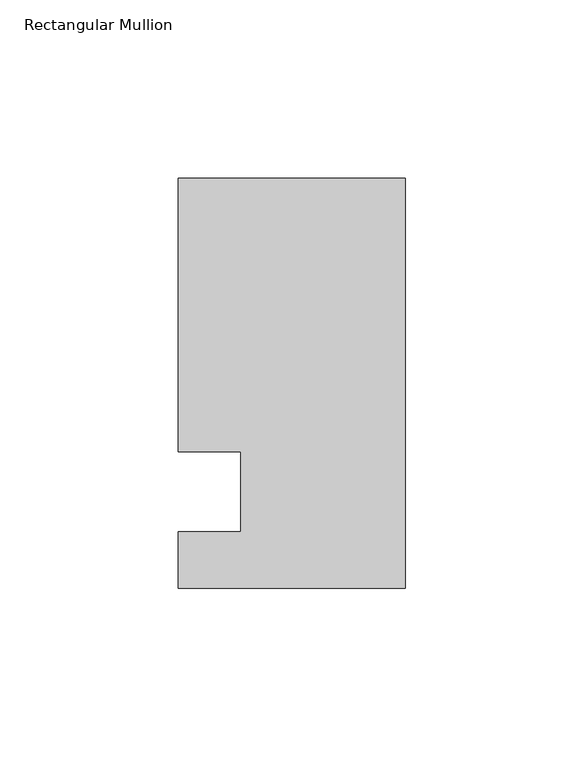
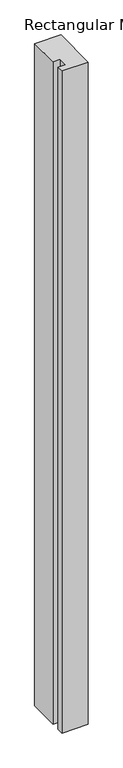
"""IFC4 building model written with IfcOpenShell, lengths in millimetres: member geometry, Rectangular Mullion."""

from ifc_helpers import new_model, si_unit, frame, origin, place, context, project, spatial, polyline, outline, extrude, source, transform, mapped, element, save


def rectangular_mullion_bb039e59(model_context):
    return source(origin(), model_context, "Body", "SweptSolid", [
        extrude(outline(polyline([(-63.5, 114.5309813), (0.0, 114.5309813), (0.0, -0.3532188), (-63.5, -0.3532188), (-63.5, 15.5217812), (-46.0375, 15.5217812), (-46.0375, 38.0007812), (-63.5, 38.0007812), (-63.5, 114.5309813)])), frame((0.0, 0.0, -1696.9382812), z_axis=(0.0, 0.0, 1.0), x_axis=(1.0, 0.0, 0.0)), (0.0, 0.0, 1.0), 1696.9382813),
    ])


if __name__ == "__main__":
    model = new_model("IFC4")
    model_context = context("Model", 3, world=origin())
    ifc_project = project(units=[si_unit("LENGTHUNIT", "METRE", prefix="MILLI")], contexts=[model_context])
    site = spatial("IfcSite", under=ifc_project)
    building = spatial("IfcBuilding", under=site)
    placement = place(None, origin())
    rectangular_mullion_shape = rectangular_mullion_bb039e59(model_context)
    element("IfcMember", 1, ObjectType="Rectangular Mullion", at=placement, inside=building, context=model_context, shape_type="MappedRepresentation", body=[
        mapped(rectangular_mullion_shape, transform((0.0, 0.0, 0.0), x_axis=(1.0, 0.0, 0.0), y_axis=(0.0, 1.0, 0.0), z_axis=(0.0, 0.0, 1.0))),
    ])
    save(model, "model.ifc")
